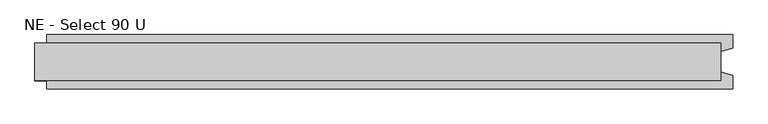
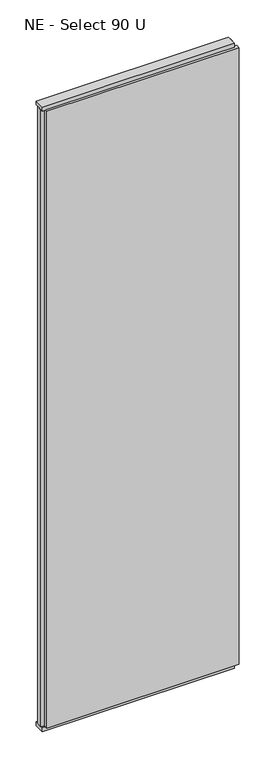
"""IFC4 building model written with IfcOpenShell, lengths in millimetres: plate geometry, NE - Select 90 U."""

from ifc_helpers import new_model, si_unit, frame, origin, origin_with_axes, place, context, project, spatial, polyline, outline, extrude, source, transform, mapped, element, save


def ne_select_90_u_7c3fbe67(model_context):
    return source(origin(), model_context, "Body", "SweptSolid", [
        extrude(outline(polyline([(602.9166667, 46.0), (602.9166667, 22.9993165), (582.9166667, 17.6401049), (582.9166667, -17.6401049), (602.9166667, -22.9993165), (602.9166667, -46.0), (-562.9166667, -46.0), (-562.9166667, -22.9993165), (-582.9166667, -17.6401049), (-582.9166667, 17.6401049), (-562.9166667, 22.9993165), (-562.9166667, 46.0), (602.9166667, 46.0)])), frame((0.0, 0.0, 25.0), z_axis=(0.0, 0.0, 1.0), x_axis=(1.0, 0.0, 0.0)), (0.0, 0.0, 1.0), 3950.0),
        extrude(outline(polyline([(582.9166667, 32.0), (582.9166667, -32.0), (-582.9166667, -32.0), (-582.9166667, 32.0), (582.9166667, 32.0)])), origin_with_axes(), (0.0, 0.0, 1.0), 25.0),
        extrude(outline(polyline([(582.9166667, 32.0), (582.9166667, -32.0), (-582.9166667, -32.0), (-582.9166667, 32.0), (582.9166667, 32.0)])), frame((0.0, 0.0, 3975.0), z_axis=(0.0, 0.0, 1.0), x_axis=(1.0, 0.0, 0.0)), (0.0, 0.0, 1.0), 25.0),
    ])


if __name__ == "__main__":
    model = new_model("IFC4")
    model_context = context("Model", 3, world=origin())
    ifc_project = project(units=[si_unit("LENGTHUNIT", "METRE", prefix="MILLI")], contexts=[model_context])
    site = spatial("IfcSite", under=ifc_project)
    building = spatial("IfcBuilding", under=site)
    placement = place(None, origin())
    ne_select_90_u_shape = ne_select_90_u_7c3fbe67(model_context)
    element("IfcPlate", 1, ObjectType="NE - Select 90 U", at=placement, inside=building, context=model_context, shape_type="MappedRepresentation", body=[
        mapped(ne_select_90_u_shape, transform((0.0, 0.0, 0.0), x_axis=(1.0, 0.0, 0.0), y_axis=(0.0, 1.0, 0.0), z_axis=(0.0, 0.0, 1.0))),
    ])
    save(model, "model.ifc")
